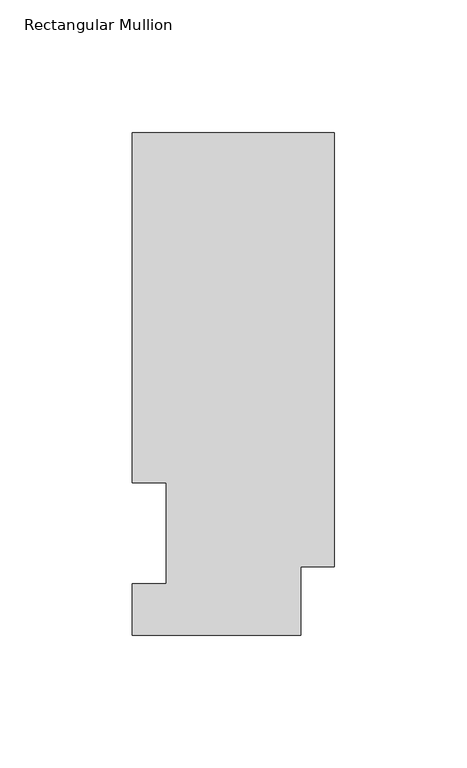
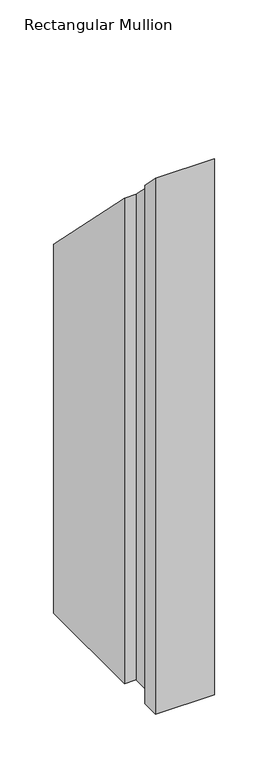
"""IFC4 building model written with IfcOpenShell, lengths in millimetres: member geometry, Rectangular Mullion."""

from ifc_helpers import new_model, si_unit, origin, place, context, project, spatial, faceted_brep, source, transform, mapped, element, save


def rectangular_mullion_3acb496a(model_context):
    return source(origin(), model_context, "Body", "Brep", [
        faceted_brep([(-76.2, 189.8022937, -609.56825), (0.0, 189.8022938, -609.56825), (0.0, 25.8955957, -609.56825), (-12.7, 25.8955957, -609.56825), (-12.7, 0.0134938, -609.56825), (-76.2, 0.0134938, -609.56825), (-76.2, 19.5460938, -609.56825), (-63.5, 19.5460938, -609.56825), (-63.5, 57.6460937, -609.56825), (-76.2, 57.6460937, -609.56825), (-76.2, 57.6460937, -57.6460937), (-76.2, 189.8022937, -189.8022937), (-63.5, 57.6460937, -57.6460937), (-63.5, 19.5460938, -19.5460938), (-76.2, 19.5460938, -19.5460938), (-76.2, 0.0134938, -0.0134938), (-12.7, 0.0134938, -0.0134938), (-12.7, 25.8955957, -25.8955957), (0.0, 25.8955957, -25.8955957), (0.0, 189.8022938, -189.8022937)], [[[0, 1, 2, 3, 4, 5, 6, 7, 8, 9]], [[10, 11, 0, 9]], [[12, 10, 9, 8]], [[13, 12, 8, 7]], [[14, 13, 7, 6]], [[15, 14, 6, 5]], [[16, 15, 5, 4]], [[17, 16, 4, 3]], [[18, 17, 3, 2]], [[19, 18, 2, 1]], [[11, 19, 1, 0]], [[11, 10, 12, 13, 14, 15, 16, 17, 18, 19]]]),
    ])


if __name__ == "__main__":
    model = new_model("IFC4")
    model_context = context("Model", 3, world=origin())
    ifc_project = project(units=[si_unit("LENGTHUNIT", "METRE", prefix="MILLI")], contexts=[model_context])
    site = spatial("IfcSite", under=ifc_project)
    building = spatial("IfcBuilding", under=site)
    placement = place(None, origin())
    rectangular_mullion_shape = rectangular_mullion_3acb496a(model_context)
    element("IfcMember", 1, ObjectType="Rectangular Mullion", at=placement, inside=building, context=model_context, shape_type="MappedRepresentation", body=[
        mapped(rectangular_mullion_shape, transform((0.0, 0.0, 0.0), x_axis=(1.0, 0.0, 0.0), y_axis=(0.0, 1.0, 0.0), z_axis=(0.0, 0.0, 1.0))),
    ])
    save(model, "model.ifc")
